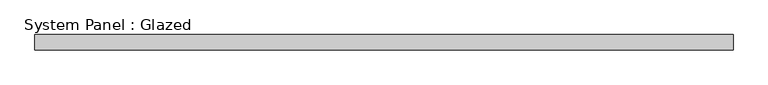
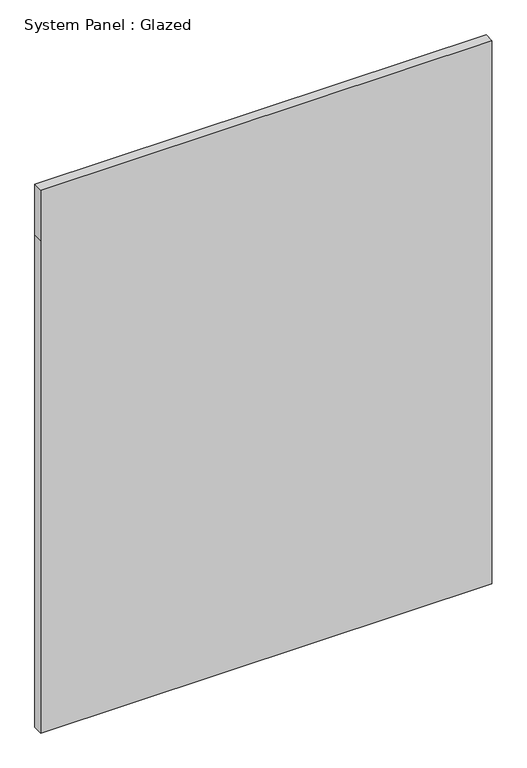
"""IFC4 building model written with IfcOpenShell, lengths in millimetres: plate geometry, System Panel : Glazed."""

import ifcopenshell
import ifcopenshell.guid

model = None  # the IFC model being written
_history = None  # IfcOwnerHistory: only IFC2X3 demands one
_inside = {}  # id of a spatial element -> (the spatial element, [elements in it])
_under = {}  # id of a project, library or spatial element -> (it, [spatial elements below it])
_declared = {}  # id of a project -> (the project, [libraries it declares])
_typed = {}  # id of a type object -> (the type object, [elements of that type])
_made_of = {}  # id of a material, layer set ... -> (it, [elements and type objects made of it])


def new_model(schema):
    """Start an empty IFC model of exactly this schema.

    Asked for "IFC4X3", IfcOpenShell would pick the latest addendum, in which some entities
    have other attributes; the version numbers below select the first issue.
    IFC2X3 requires an IfcOwnerHistory on every rooted entity: one is made here for all.
    """
    global model, _history
    if schema == "IFC4X3":
        model = ifcopenshell.file(schema_version=(4, 3, 0, 0))
    else:
        model = ifcopenshell.file(schema=schema)
    _inside.clear()
    _under.clear()
    _declared.clear()
    _typed.clear()
    _made_of.clear()
    _history = None
    if model.schema == "IFC2X3":
        org = make("IfcOrganization", Name="unknown")
        user = make(
            "IfcPersonAndOrganization",
            ThePerson=make("IfcPerson", FamilyName="unknown"),
            TheOrganization=org,
        )
        app = make(
            "IfcApplication",
            ApplicationDeveloper=org,
            Version="unknown",
            ApplicationFullName="unknown",
            ApplicationIdentifier="unknown",
        )
        _history = make(
            "IfcOwnerHistory",
            OwningUser=user,
            OwningApplication=app,
            ChangeAction="ADDED",
            CreationDate=0,
        )
    return model


def make(cls, **values):
    """One entity of the class cls with the attributes given. An attribute that is None is left unset."""
    return model.create_entity(
        cls, **{name: value for name, value in values.items() if value is not None}
    )


def rooted(cls, **values):
    """An entity with a GlobalId (a new one), such as an element, a storey or a relation."""
    return make(cls, GlobalId=ifcopenshell.guid.new(), OwnerHistory=_history, **values)


def si_unit(unit_type, name, prefix=None):
    """IfcSIUnit, for example si_unit("LENGTHUNIT", "METRE", prefix="MILLI")."""
    return make("IfcSIUnit", UnitType=unit_type, Prefix=prefix, Name=name)


def assignment(units):
    """IfcUnitAssignment: the units of a project."""
    return None if units is None else make("IfcUnitAssignment", Units=units)


def point(xyz):
    """IfcCartesianPoint."""
    return None if xyz is None else make("IfcCartesianPoint", Coordinates=xyz)


def direction(xyz):
    """IfcDirection."""
    return None if xyz is None else make("IfcDirection", DirectionRatios=xyz)


def frame(location, z_axis=None, x_axis=None):
    """IfcAxis2Placement3D, a coordinate frame: its origin and axes. An axis left out is left unset."""
    return make(
        "IfcAxis2Placement3D",
        Location=point(location),
        Axis=direction(z_axis),
        RefDirection=direction(x_axis),
    )


def origin():
    """The frame at (0, 0, 0) with its axes left unset."""
    return frame((0.0, 0.0, 0.0))


def place(relative_to, where):
    """IfcLocalPlacement: puts the frame where relative to a parent placement (None: the world)."""
    return make(
        "IfcLocalPlacement", PlacementRelTo=relative_to, RelativePlacement=where
    )


def context(
    kind, dimensions, precision=None, world=None, true_north=None, identifier=None
):
    """IfcGeometricRepresentationContext, for example the 3D "Model" context."""
    return make(
        "IfcGeometricRepresentationContext",
        ContextIdentifier=identifier,
        ContextType=kind,
        CoordinateSpaceDimension=dimensions,
        Precision=precision,
        WorldCoordinateSystem=world,
        TrueNorth=true_north,
    )


def project(units=None, contexts=None):
    """IfcProject with its units and contexts."""
    return rooted(
        "IfcProject",
        Name="project",
        RepresentationContexts=contexts,
        UnitsInContext=assignment(units),
    )


def spatial(cls, under=None, at=None, **own):
    """A site, building, storey or space (cls), placed at a placement, below another one or the project."""
    s = rooted(cls, ObjectPlacement=at, **own)
    if under is not None:
        _under.setdefault(under.id(), (under, []))[1].append(s)
    return s


def polyline(points):
    """IfcPolyline through the points."""
    return make("IfcPolyline", Points=[point(p) for p in points])


def outline(outer, holes=None, kind="AREA"):
    """IfcArbitraryClosedProfileDef: a profile drawn as a closed curve; with holes, ...WithVoids."""
    if holes is None:
        return make("IfcArbitraryClosedProfileDef", ProfileType=kind, OuterCurve=outer)
    return make(
        "IfcArbitraryProfileDefWithVoids",
        ProfileType=kind,
        OuterCurve=outer,
        InnerCurves=holes,
    )


def extrude(swept, where, along, depth):
    """IfcExtrudedAreaSolid: the profile swept, set in the frame where, extruded along a direction by depth."""
    return make(
        "IfcExtrudedAreaSolid",
        SweptArea=swept,
        Position=where,
        ExtrudedDirection=direction(along),
        Depth=depth,
    )


def shape(context_of_items, identifier, shape_type, items):
    """IfcShapeRepresentation: the items that make up one representation, for example the "Body"."""
    return make(
        "IfcShapeRepresentation",
        ContextOfItems=context_of_items,
        RepresentationIdentifier=identifier,
        RepresentationType=shape_type,
        Items=items,
    )


def source(mapping_origin, context_of_items, identifier, shape_type, items):
    """IfcRepresentationMap: a shape defined once, which mapped items show again and again."""
    return make(
        "IfcRepresentationMap",
        MappingOrigin=mapping_origin,
        MappedRepresentation=shape(context_of_items, identifier, shape_type, items),
    )


def transform(
    local_origin,
    x_axis=None,
    y_axis=None,
    z_axis=None,
    scale=None,
    scale2=None,
    scale3=None,
    uniform=True,
):
    """IfcCartesianTransformationOperator3D, or its non-uniform kind. x_axis, y_axis, z_axis: its Axis1, 2, 3."""
    if uniform:
        return make(
            "IfcCartesianTransformationOperator3D",
            Axis1=direction(x_axis),
            Axis2=direction(y_axis),
            LocalOrigin=point(local_origin),
            Scale=scale,
            Axis3=direction(z_axis),
        )
    return make(
        "IfcCartesianTransformationOperator3DnonUniform",
        Axis1=direction(x_axis),
        Axis2=direction(y_axis),
        LocalOrigin=point(local_origin),
        Scale=scale,
        Axis3=direction(z_axis),
        Scale2=scale2,
        Scale3=scale3,
    )


def mapped(mapping_source, mapping_target):
    """IfcMappedItem: shows the shape of a source again, moved by a transform."""
    return make(
        "IfcMappedItem", MappingSource=mapping_source, MappingTarget=mapping_target
    )


def made_of(thing, what):
    """Note that an element or type object is made of a material, layer set ...; save() writes the relation."""
    if what is not None:
        _made_of.setdefault(what.id(), (what, []))[1].append(thing)
    return thing


def element(
    cls,
    number,
    at=None,
    inside=None,
    cuts=None,
    type_object=None,
    material=None,
    context=None,
    identifier="Body",
    shape_type=None,
    held_by="IfcProductDefinitionShape",
    body=None,
    shapes=None,
    **own,
):
    """One element of the class cls, such as IfcWall. Its Tag is "e" and its number.

    at: its placement. inside: the storey or other place that contains it. cuts: it is an
    opening in that element (IfcRelVoidsElement). A single representation is given by context,
    identifier, shape_type and body (its items); several are given by shapes. held_by: the class
    of the entity that holds the representations. save() writes the other relations.
    """
    e = rooted(cls, Tag="e%d" % number, ObjectPlacement=at, **own)
    if body is not None:
        shapes = [shape(context, identifier, shape_type, body)]
    if shapes is not None:
        e.Representation = make(held_by, Representations=shapes)
    if inside is not None:
        _inside.setdefault(inside.id(), (inside, []))[1].append(e)
    if cuts is not None:
        rooted(
            "IfcRelVoidsElement", RelatingBuildingElement=cuts, RelatedOpeningElement=e
        )
    if type_object is not None:
        _typed.setdefault(type_object.id(), (type_object, []))[1].append(e)
    return made_of(e, material)


def aggregate(whole, parts):
    """IfcRelAggregates: a whole, such as a stair, and the parts it consists of."""
    return rooted("IfcRelAggregates", RelatingObject=whole, RelatedObjects=parts)


def save(model, path):
    """Write the relations noted so far, then the file.

    IfcRelAggregates (storeys below a building ...), IfcRelContainedInSpatialStructure (elements
    in a storey), IfcRelDefinesByType, IfcRelAssociatesMaterial and IfcRelDeclares: one each for
    every whole, place, type object, material and project.
    """
    for whole, parts in _under.values():
        aggregate(whole, parts)
    for where, things in _inside.values():
        rooted(
            "IfcRelContainedInSpatialStructure",
            RelatedElements=things,
            RelatingStructure=where,
        )
    for kind, things in _typed.values():
        rooted("IfcRelDefinesByType", RelatedObjects=things, RelatingType=kind)
    for what, things in _made_of.values():
        rooted("IfcRelAssociatesMaterial", RelatedObjects=things, RelatingMaterial=what)
    for by, libraries in _declared.values():
        rooted("IfcRelDeclares", RelatingContext=by, RelatedDefinitions=libraries)
    model.write(path)


def system_panel_glazed_323915b0(model_context):
    return source(origin(), model_context, "Body", "SweptSolid", [
        extrude(outline(polyline([(0.0, -570.0), (0.0, 570.0), (1315.0, 570.0), (1450.0, 570.0), (1450.0, -570.0), (1315.0, -570.0), (0.0, -570.0)])), frame((0.0, -49.5, 0.0), z_axis=(0.0, 1.0, 0.0), x_axis=(0.0, 0.0, 1.0)), (0.0, 0.0, 1.0), 25.0),
    ])


if __name__ == "__main__":
    model = new_model("IFC4")
    model_context = context("Model", 3, world=origin())
    ifc_project = project(units=[si_unit("LENGTHUNIT", "METRE", prefix="MILLI")], contexts=[model_context])
    site = spatial("IfcSite", under=ifc_project)
    building = spatial("IfcBuilding", under=site)
    placement = place(None, origin())
    system_panel_glazed_shape = system_panel_glazed_323915b0(model_context)
    element("IfcPlate", 1, ObjectType="System Panel : Glazed", at=placement, inside=building, context=model_context, shape_type="MappedRepresentation", body=[
        mapped(system_panel_glazed_shape, transform((0.0, 0.0, 0.0), x_axis=(1.0, 0.0, 0.0), y_axis=(0.0, 1.0, 0.0), z_axis=(0.0, 0.0, 1.0))),
    ])
    save(model, "model.ifc")
